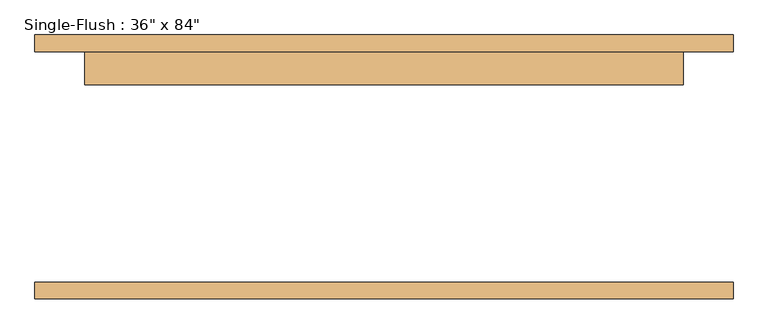
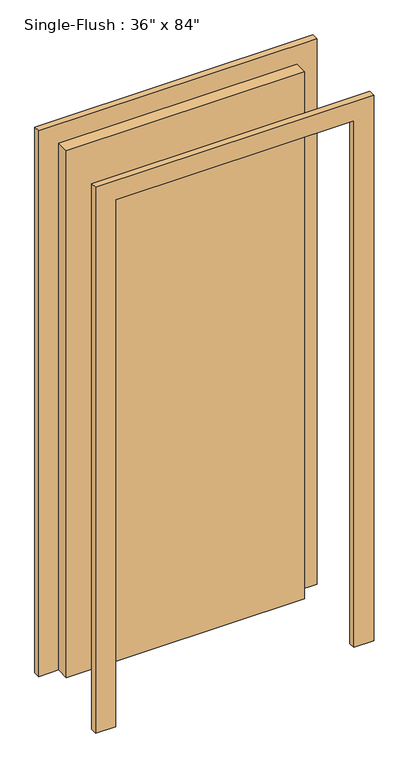
"""IFC4 building model written with IfcOpenShell, lengths in millimetres: door geometry."""

import ifcopenshell
import ifcopenshell.guid

model = None  # the IFC model being written
_history = None  # IfcOwnerHistory: only IFC2X3 demands one
_inside = {}  # id of a spatial element -> (the spatial element, [elements in it])
_under = {}  # id of a project, library or spatial element -> (it, [spatial elements below it])
_declared = {}  # id of a project -> (the project, [libraries it declares])
_typed = {}  # id of a type object -> (the type object, [elements of that type])
_made_of = {}  # id of a material, layer set ... -> (it, [elements and type objects made of it])


def new_model(schema):
    """Start an empty IFC model of exactly this schema.

    Asked for "IFC4X3", IfcOpenShell would pick the latest addendum, in which some entities
    have other attributes; the version numbers below select the first issue.
    IFC2X3 requires an IfcOwnerHistory on every rooted entity: one is made here for all.
    """
    global model, _history
    if schema == "IFC4X3":
        model = ifcopenshell.file(schema_version=(4, 3, 0, 0))
    else:
        model = ifcopenshell.file(schema=schema)
    _inside.clear()
    _under.clear()
    _declared.clear()
    _typed.clear()
    _made_of.clear()
    _history = None
    if model.schema == "IFC2X3":
        org = make("IfcOrganization", Name="unknown")
        user = make(
            "IfcPersonAndOrganization",
            ThePerson=make("IfcPerson", FamilyName="unknown"),
            TheOrganization=org,
        )
        app = make(
            "IfcApplication",
            ApplicationDeveloper=org,
            Version="unknown",
            ApplicationFullName="unknown",
            ApplicationIdentifier="unknown",
        )
        _history = make(
            "IfcOwnerHistory",
            OwningUser=user,
            OwningApplication=app,
            ChangeAction="ADDED",
            CreationDate=0,
        )
    return model


def make(cls, **values):
    """One entity of the class cls with the attributes given. An attribute that is None is left unset."""
    return model.create_entity(
        cls, **{name: value for name, value in values.items() if value is not None}
    )


def rooted(cls, **values):
    """An entity with a GlobalId (a new one), such as an element, a storey or a relation."""
    return make(cls, GlobalId=ifcopenshell.guid.new(), OwnerHistory=_history, **values)


def si_unit(unit_type, name, prefix=None):
    """IfcSIUnit, for example si_unit("LENGTHUNIT", "METRE", prefix="MILLI")."""
    return make("IfcSIUnit", UnitType=unit_type, Prefix=prefix, Name=name)


def assignment(units):
    """IfcUnitAssignment: the units of a project."""
    return None if units is None else make("IfcUnitAssignment", Units=units)


def point(xyz):
    """IfcCartesianPoint."""
    return None if xyz is None else make("IfcCartesianPoint", Coordinates=xyz)


def direction(xyz):
    """IfcDirection."""
    return None if xyz is None else make("IfcDirection", DirectionRatios=xyz)


def frame(location, z_axis=None, x_axis=None):
    """IfcAxis2Placement3D, a coordinate frame: its origin and axes. An axis left out is left unset."""
    return make(
        "IfcAxis2Placement3D",
        Location=point(location),
        Axis=direction(z_axis),
        RefDirection=direction(x_axis),
    )


def origin():
    """The frame at (0, 0, 0) with its axes left unset."""
    return frame((0.0, 0.0, 0.0))


def origin_with_axes():
    """The frame at (0, 0, 0) with the z axis (0, 0, 1) and the x axis (1, 0, 0) written out."""
    return frame((0.0, 0.0, 0.0), z_axis=(0.0, 0.0, 1.0), x_axis=(1.0, 0.0, 0.0))


def place(relative_to, where):
    """IfcLocalPlacement: puts the frame where relative to a parent placement (None: the world)."""
    return make(
        "IfcLocalPlacement", PlacementRelTo=relative_to, RelativePlacement=where
    )


def context(
    kind, dimensions, precision=None, world=None, true_north=None, identifier=None
):
    """IfcGeometricRepresentationContext, for example the 3D "Model" context."""
    return make(
        "IfcGeometricRepresentationContext",
        ContextIdentifier=identifier,
        ContextType=kind,
        CoordinateSpaceDimension=dimensions,
        Precision=precision,
        WorldCoordinateSystem=world,
        TrueNorth=true_north,
    )


def project(units=None, contexts=None):
    """IfcProject with its units and contexts."""
    return rooted(
        "IfcProject",
        Name="project",
        RepresentationContexts=contexts,
        UnitsInContext=assignment(units),
    )


def spatial(cls, under=None, at=None, **own):
    """A site, building, storey or space (cls), placed at a placement, below another one or the project."""
    s = rooted(cls, ObjectPlacement=at, **own)
    if under is not None:
        _under.setdefault(under.id(), (under, []))[1].append(s)
    return s


def polyline(points):
    """IfcPolyline through the points."""
    return make("IfcPolyline", Points=[point(p) for p in points])


def outline(outer, holes=None, kind="AREA"):
    """IfcArbitraryClosedProfileDef: a profile drawn as a closed curve; with holes, ...WithVoids."""
    if holes is None:
        return make("IfcArbitraryClosedProfileDef", ProfileType=kind, OuterCurve=outer)
    return make(
        "IfcArbitraryProfileDefWithVoids",
        ProfileType=kind,
        OuterCurve=outer,
        InnerCurves=holes,
    )


def extrude(swept, where, along, depth):
    """IfcExtrudedAreaSolid: the profile swept, set in the frame where, extruded along a direction by depth."""
    return make(
        "IfcExtrudedAreaSolid",
        SweptArea=swept,
        Position=where,
        ExtrudedDirection=direction(along),
        Depth=depth,
    )


def shape(context_of_items, identifier, shape_type, items):
    """IfcShapeRepresentation: the items that make up one representation, for example the "Body"."""
    return make(
        "IfcShapeRepresentation",
        ContextOfItems=context_of_items,
        RepresentationIdentifier=identifier,
        RepresentationType=shape_type,
        Items=items,
    )


def source(mapping_origin, context_of_items, identifier, shape_type, items):
    """IfcRepresentationMap: a shape defined once, which mapped items show again and again."""
    return make(
        "IfcRepresentationMap",
        MappingOrigin=mapping_origin,
        MappedRepresentation=shape(context_of_items, identifier, shape_type, items),
    )


def transform(
    local_origin,
    x_axis=None,
    y_axis=None,
    z_axis=None,
    scale=None,
    scale2=None,
    scale3=None,
    uniform=True,
):
    """IfcCartesianTransformationOperator3D, or its non-uniform kind. x_axis, y_axis, z_axis: its Axis1, 2, 3."""
    if uniform:
        return make(
            "IfcCartesianTransformationOperator3D",
            Axis1=direction(x_axis),
            Axis2=direction(y_axis),
            LocalOrigin=point(local_origin),
            Scale=scale,
            Axis3=direction(z_axis),
        )
    return make(
        "IfcCartesianTransformationOperator3DnonUniform",
        Axis1=direction(x_axis),
        Axis2=direction(y_axis),
        LocalOrigin=point(local_origin),
        Scale=scale,
        Axis3=direction(z_axis),
        Scale2=scale2,
        Scale3=scale3,
    )


def mapped(mapping_source, mapping_target):
    """IfcMappedItem: shows the shape of a source again, moved by a transform."""
    return make(
        "IfcMappedItem", MappingSource=mapping_source, MappingTarget=mapping_target
    )


def made_of(thing, what):
    """Note that an element or type object is made of a material, layer set ...; save() writes the relation."""
    if what is not None:
        _made_of.setdefault(what.id(), (what, []))[1].append(thing)
    return thing


def element(
    cls,
    number,
    at=None,
    inside=None,
    cuts=None,
    type_object=None,
    material=None,
    context=None,
    identifier="Body",
    shape_type=None,
    held_by="IfcProductDefinitionShape",
    body=None,
    shapes=None,
    **own,
):
    """One element of the class cls, such as IfcWall. Its Tag is "e" and its number.

    at: its placement. inside: the storey or other place that contains it. cuts: it is an
    opening in that element (IfcRelVoidsElement). A single representation is given by context,
    identifier, shape_type and body (its items); several are given by shapes. held_by: the class
    of the entity that holds the representations. save() writes the other relations.
    """
    e = rooted(cls, Tag="e%d" % number, ObjectPlacement=at, **own)
    if body is not None:
        shapes = [shape(context, identifier, shape_type, body)]
    if shapes is not None:
        e.Representation = make(held_by, Representations=shapes)
    if inside is not None:
        _inside.setdefault(inside.id(), (inside, []))[1].append(e)
    if cuts is not None:
        rooted(
            "IfcRelVoidsElement", RelatingBuildingElement=cuts, RelatedOpeningElement=e
        )
    if type_object is not None:
        _typed.setdefault(type_object.id(), (type_object, []))[1].append(e)
    return made_of(e, material)


def aggregate(whole, parts):
    """IfcRelAggregates: a whole, such as a stair, and the parts it consists of."""
    return rooted("IfcRelAggregates", RelatingObject=whole, RelatedObjects=parts)


def save(model, path):
    """Write the relations noted so far, then the file.

    IfcRelAggregates (storeys below a building ...), IfcRelContainedInSpatialStructure (elements
    in a storey), IfcRelDefinesByType, IfcRelAssociatesMaterial and IfcRelDeclares: one each for
    every whole, place, type object, material and project.
    """
    for whole, parts in _under.values():
        aggregate(whole, parts)
    for where, things in _inside.values():
        rooted(
            "IfcRelContainedInSpatialStructure",
            RelatedElements=things,
            RelatingStructure=where,
        )
    for kind, things in _typed.values():
        rooted("IfcRelDefinesByType", RelatedObjects=things, RelatingType=kind)
    for what, things in _made_of.values():
        rooted("IfcRelAssociatesMaterial", RelatedObjects=things, RelatingMaterial=what)
    for by, libraries in _declared.values():
        rooted("IfcRelDeclares", RelatingContext=by, RelatedDefinitions=libraries)
    model.write(path)


def door_632be17d(model_context):
    return source(origin(), model_context, "Body", "SweptSolid", [
        extrude(outline(polyline([(2209.8, -533.4), (0.0, -533.4), (0.0, -457.2), (2133.6, -457.2), (2133.6, 457.2), (0.0, 457.2), (0.0, 533.4), (2209.8, 533.4), (2209.8, -533.4)])), frame((0.0, 176.2125, 0.0), z_axis=(0.0, 1.0, 0.0), x_axis=(0.0, 0.0, 1.0)), (0.0, 0.0, 1.0), 25.4),
        extrude(outline(polyline([(2209.8, 533.4), (2209.8, -533.4), (0.0, -533.4), (0.0, -457.2), (2133.6, -457.2), (2133.6, 457.2), (0.0, 457.2), (0.0, 533.4), (2209.8, 533.4)])), frame((0.0, -201.6125, 0.0), z_axis=(0.0, 1.0, 0.0), x_axis=(0.0, 0.0, 1.0)), (0.0, 0.0, 1.0), 25.4),
        extrude(outline(polyline([(457.2, 125.4125), (-457.2, 125.4125), (-457.2, 176.2125), (457.2, 176.2125), (457.2, 125.4125)])), origin_with_axes(), (0.0, 0.0, 1.0), 2133.6),
    ])


if __name__ == "__main__":
    model = new_model("IFC4")
    model_context = context("Model", 3, world=origin())
    ifc_project = project(units=[si_unit("LENGTHUNIT", "METRE", prefix="MILLI")], contexts=[model_context])
    site = spatial("IfcSite", under=ifc_project)
    building = spatial("IfcBuilding", under=site)
    placement = place(None, origin())
    door_shape = door_632be17d(model_context)
    element("IfcDoor", 1, ObjectType="Single-Flush : 36\" x 84\"", at=placement, inside=building, context=model_context, shape_type="MappedRepresentation", body=[
        mapped(door_shape, transform((0.0, 0.0, 0.0), x_axis=(1.0, 0.0, 0.0), y_axis=(0.0, 1.0, 0.0), z_axis=(0.0, 0.0, 1.0))),
    ])
    save(model, "model.ifc")
